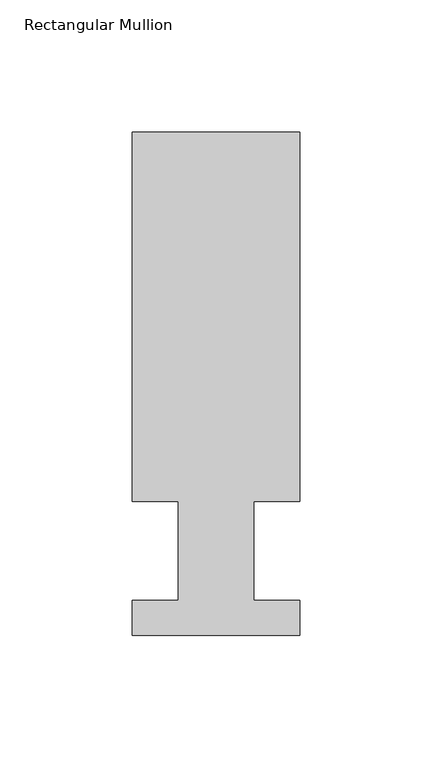
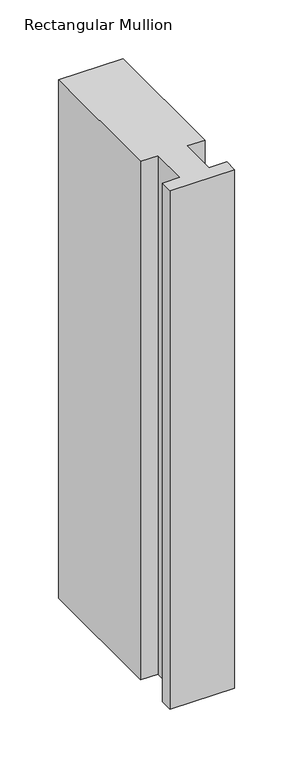
"""IFC4 building model written with IfcOpenShell, lengths in millimetres: member geometry, Rectangular Mullion."""

from ifc_helpers import new_model, si_unit, frame, origin, place, context, project, spatial, polyline, outline, extrude, source, transform, mapped, element, save


def rectangular_mullion_6d0198ae(model_context):
    return source(origin(), model_context, "Body", "SweptSolid", [
        extrude(outline(polyline([(-63.4999996, 190.7881313), (9e-07, 190.7881313), (9e-07, 50.8087294), (-17.4624995, 50.8087294), (-17.4624995, 13.3945312), (8e-07, 13.3945312), (8e-07, 0.2119312), (-63.4999992, 0.2119312), (-63.4999992, 13.3945312), (-46.0247992, 13.3945312), (-46.0247992, 50.8087294), (-63.4999996, 50.8087294), (-63.4999996, 190.7881313)])), frame((0.0, 0.0, -540.071852), z_axis=(0.0, 0.0, 1.0), x_axis=(1.0, 0.0, 0.0)), (0.0, 0.0, 1.0), 540.071852),
    ])


if __name__ == "__main__":
    model = new_model("IFC4")
    model_context = context("Model", 3, world=origin())
    ifc_project = project(units=[si_unit("LENGTHUNIT", "METRE", prefix="MILLI")], contexts=[model_context])
    site = spatial("IfcSite", under=ifc_project)
    building = spatial("IfcBuilding", under=site)
    placement = place(None, origin())
    rectangular_mullion_shape = rectangular_mullion_6d0198ae(model_context)
    element("IfcMember", 1, ObjectType="Rectangular Mullion", at=placement, inside=building, context=model_context, shape_type="MappedRepresentation", body=[
        mapped(rectangular_mullion_shape, transform((0.0, 0.0, 0.0), x_axis=(1.0, 0.0, 0.0), y_axis=(0.0, 1.0, 0.0), z_axis=(0.0, 0.0, 1.0))),
    ])
    save(model, "model.ifc")
